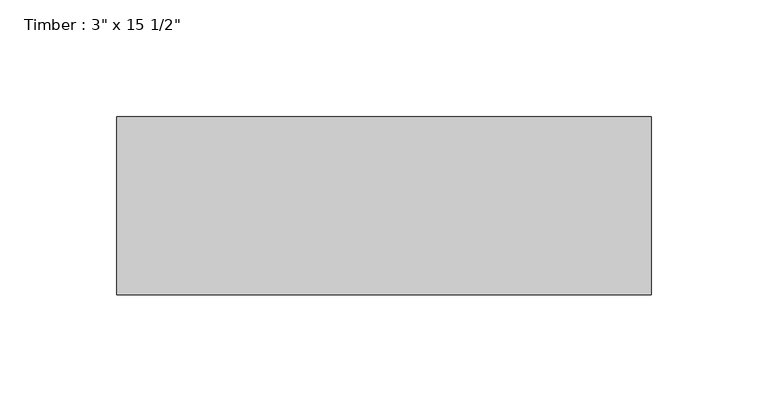
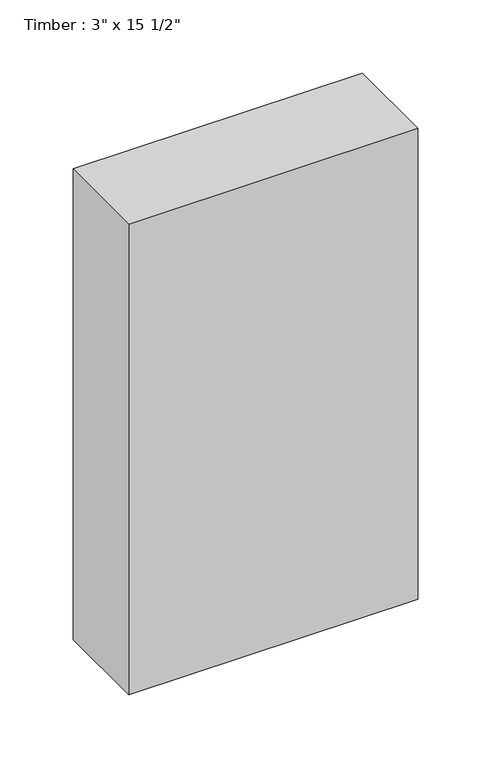
"""IFC4 building model written with IfcOpenShell, lengths in millimetres: beam geometry."""

from ifc_helpers import new_model, si_unit, frame, origin, place, context, project, spatial, polyline, outline, extrude, source, transform, mapped, element, save


def beam_eb420ea6(model_context):
    return source(origin(), model_context, "Body", "SweptSolid", [
        extrude(outline(polyline([(114.3, 38.1), (114.3, -38.1), (-114.3, -38.1), (-114.3, 38.1), (114.3, 38.1)])), frame((0.0, 0.0, -196.85), z_axis=(0.0, 0.0, 1.0), x_axis=(1.0, 0.0, 0.0)), (0.0, 0.0, 1.0), 393.7),
    ])


if __name__ == "__main__":
    model = new_model("IFC4")
    model_context = context("Model", 3, world=origin())
    ifc_project = project(units=[si_unit("LENGTHUNIT", "METRE", prefix="MILLI")], contexts=[model_context])
    site = spatial("IfcSite", under=ifc_project)
    building = spatial("IfcBuilding", under=site)
    placement = place(None, origin())
    beam_shape = beam_eb420ea6(model_context)
    element("IfcBeam", 1, ObjectType="Timber : 3\" x 15 1/2\"", at=placement, inside=building, context=model_context, shape_type="MappedRepresentation", body=[
        mapped(beam_shape, transform((0.0, 0.0, 0.0), x_axis=(1.0, 0.0, 0.0), y_axis=(0.0, 1.0, 0.0), z_axis=(0.0, 0.0, 1.0))),
    ])
    save(model, "model.ifc")
